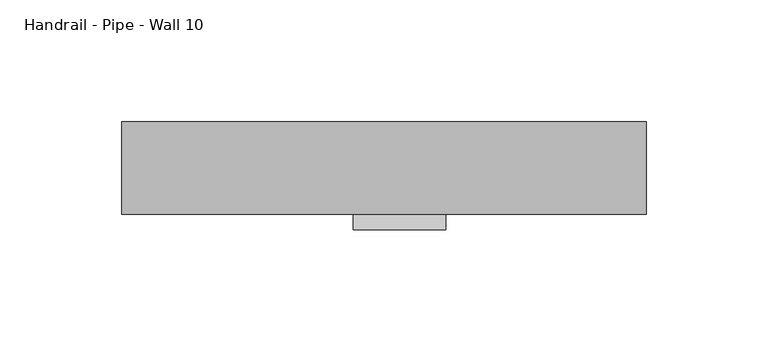
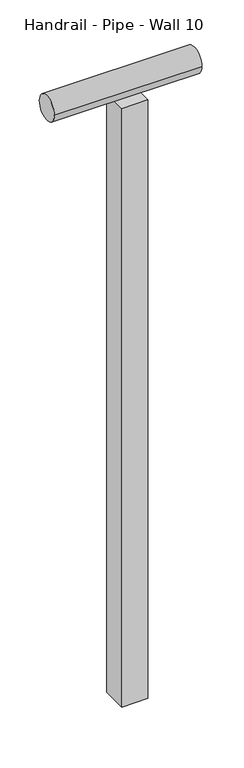
"""IFC4 building model written with IfcOpenShell, lengths in millimetres: railing geometry, Handrail - Pipe - Wall 10."""

from ifc_helpers import new_model, si_unit, point, frame, frame_2d, origin, place, context, project, spatial, polyline, circle_curve, trimmed, segment, composite_curve, outline, extrude, source, transform, mapped, element, save


def handrail_pipe_wall_10_71c6e6fd(model_context):
    return source(origin(), model_context, "Body", "SweptSolid", [
        extrude(outline(composite_curve([segment(trimmed(circle_curve(frame_2d((30415.2742063, -10331.45)), 19.05), [point((30434.3242063, -10331.45))], [point((30396.2242063, -10331.45))], False, "CARTESIAN"), True, "CONTINUOUS"), segment(trimmed(circle_curve(frame_2d((30415.2742063, -10331.45)), 19.05), [point((30396.2242063, -10331.45))], [point((30434.3242063, -10331.45))], False, "CARTESIAN"), True, "CONTINUOUS")], self_intersect=False)), frame((-17995.3513775, 0.0, 0.0), z_axis=(1.0, 0.0, 0.0), x_axis=(0.0, 1.0, 0.0)), (0.0, 0.0, 1.0), 215.9),
        extrude(outline(polyline([(-17900.1013775, 30389.8742063), (-17900.1013775, 30427.9742063), (-17862.0013775, 30427.9742063), (-17862.0013775, 30389.8742063), (-17900.1013775, 30389.8742063)])), frame((0.0, 0.0, -11277.6), z_axis=(0.0, 0.0, 1.0), x_axis=(1.0, 0.0, 0.0)), (0.0, 0.0, 1.0), 927.1),
    ])


if __name__ == "__main__":
    model = new_model("IFC4")
    model_context = context("Model", 3, world=origin())
    ifc_project = project(units=[si_unit("LENGTHUNIT", "METRE", prefix="MILLI")], contexts=[model_context])
    site = spatial("IfcSite", under=ifc_project)
    building = spatial("IfcBuilding", under=site)
    placement = place(None, origin())
    handrail_pipe_wall_10_shape = handrail_pipe_wall_10_71c6e6fd(model_context)
    element("IfcRailing", 1, ObjectType="Handrail - Pipe - Wall 10", at=placement, inside=building, context=model_context, shape_type="MappedRepresentation", body=[
        mapped(handrail_pipe_wall_10_shape, transform((0.0, 0.0, 0.0), x_axis=(1.0, 0.0, 0.0), y_axis=(0.0, 1.0, 0.0), z_axis=(0.0, 0.0, 1.0))),
    ])
    save(model, "model.ifc")
